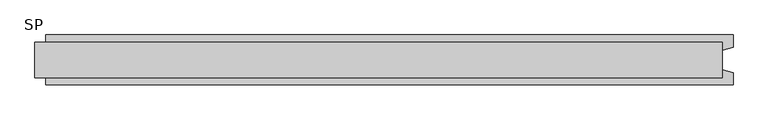
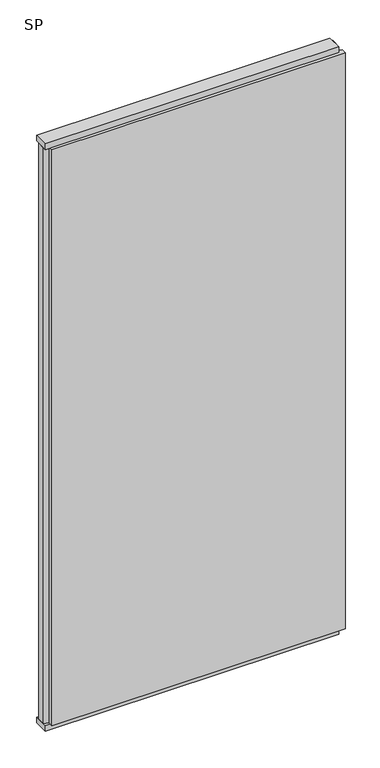
"""IFC4 building model written with IfcOpenShell, lengths in millimetres: plate geometry, SP."""

from ifc_helpers import new_model, si_unit, frame, origin, origin_with_axes, place, context, project, spatial, polyline, outline, extrude, source, transform, mapped, element, save


def sp_f86c62a0(model_context):
    return source(origin(), model_context, "Body", "SweptSolid", [
        extrude(outline(polyline([(620.0, -32.0), (-620.0, -32.0), (-620.0, 32.0), (620.0, 32.0), (620.0, -32.0)])), origin_with_axes(), (0.0, 0.0, 1.0), 25.0),
        extrude(outline(polyline([(620.0, -32.0), (-620.0, -32.0), (-620.0, 32.0), (620.0, 32.0), (620.0, -32.0)])), frame((0.0, 0.0, 2602.0), z_axis=(0.0, 0.0, 1.0), x_axis=(1.0, 0.0, 0.0)), (0.0, 0.0, 1.0), 25.0),
        extrude(outline(polyline([(640.0, -45.0), (-600.0, -45.0), (-600.0, -22.9993165), (-620.0, -17.6401049), (-620.0, 17.6401049), (-600.0, 22.9993165), (-600.0, 45.0), (640.0, 45.0), (640.0, 22.9993165), (620.0, 17.6401049), (620.0, -17.6401049), (640.0, -22.9993165), (640.0, -45.0)])), frame((0.0, 0.0, 25.0), z_axis=(0.0, 0.0, 1.0), x_axis=(1.0, 0.0, 0.0)), (0.0, 0.0, 1.0), 2577.0),
    ])


if __name__ == "__main__":
    model = new_model("IFC4")
    model_context = context("Model", 3, world=origin())
    ifc_project = project(units=[si_unit("LENGTHUNIT", "METRE", prefix="MILLI")], contexts=[model_context])
    site = spatial("IfcSite", under=ifc_project)
    building = spatial("IfcBuilding", under=site)
    placement = place(None, origin())
    sp_shape = sp_f86c62a0(model_context)
    element("IfcPlate", 1, ObjectType="SP", at=placement, inside=building, context=model_context, shape_type="MappedRepresentation", body=[
        mapped(sp_shape, transform((0.0, 0.0, 0.0), x_axis=(1.0, 0.0, 0.0), y_axis=(0.0, 1.0, 0.0), z_axis=(0.0, 0.0, 1.0))),
    ])
    save(model, "model.ifc")
